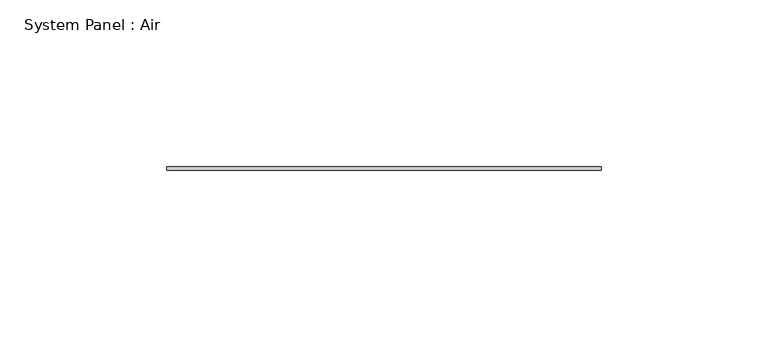
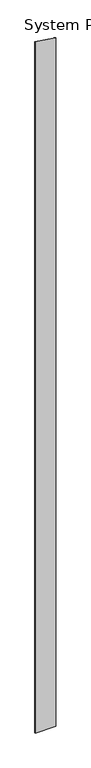
"""IFC4 building model written with IfcOpenShell, lengths in millimetres: plate geometry, System Panel : Air."""

from ifc_helpers import new_model, si_unit, frame, origin, place, context, project, spatial, polyline, outline, extrude, source, transform, mapped, element, save


def system_panel_air_8c3f74da(model_context):
    return source(origin(), model_context, "Body", "SweptSolid", [
        extrude(outline(polyline([(0.0, -65.0), (0.0, 65.0), (4585.581956, 65.0), (4604.8276344, -65.0), (0.0, -65.0)])), frame((0.0, 36.5, 0.0), z_axis=(0.0, 1.0, 0.0), x_axis=(0.0, 0.0, 1.0)), (0.0, 0.0, 1.0), 1.0),
    ])


if __name__ == "__main__":
    model = new_model("IFC4")
    model_context = context("Model", 3, world=origin())
    ifc_project = project(units=[si_unit("LENGTHUNIT", "METRE", prefix="MILLI")], contexts=[model_context])
    site = spatial("IfcSite", under=ifc_project)
    building = spatial("IfcBuilding", under=site)
    placement = place(None, origin())
    system_panel_air_shape = system_panel_air_8c3f74da(model_context)
    element("IfcPlate", 1, ObjectType="System Panel : Air", at=placement, inside=building, context=model_context, shape_type="MappedRepresentation", body=[
        mapped(system_panel_air_shape, transform((0.0, 0.0, 0.0), x_axis=(1.0, 0.0, 0.0), y_axis=(0.0, 1.0, 0.0), z_axis=(0.0, 0.0, 1.0))),
    ])
    save(model, "model.ifc")
